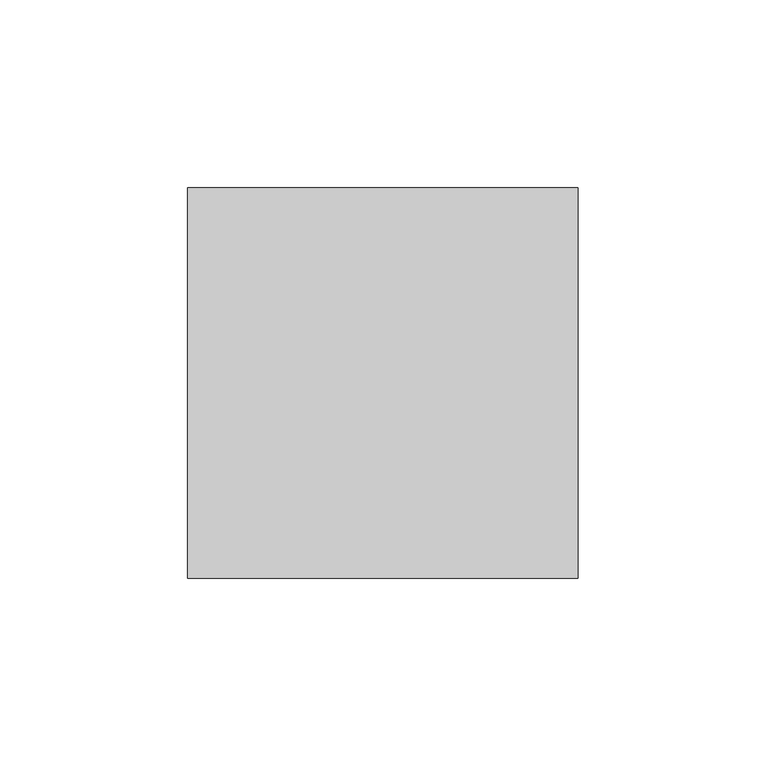
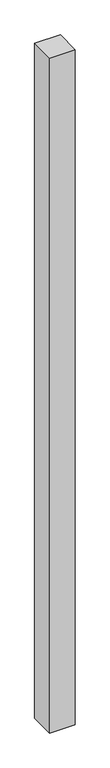
"""IFC4 building model written with IfcOpenShell, lengths in millimetres: member geometry."""

from ifc_helpers import new_model, si_unit, frame, origin, place, context, project, spatial, polyline, outline, extrude, source, transform, mapped, element, save


def member_43281d07(model_context):
    return source(origin(), model_context, "Body", "SweptSolid", [
        extrude(outline(polyline([(-52.0, -52.0), (-52.0, 52.0), (52.0, 52.0), (52.0, -52.0), (-52.0, -52.0)])), frame((0.0, 0.0, -2885.0), z_axis=(0.0, 0.0, 1.0), x_axis=(1.0, 0.0, 0.0)), (0.0, 0.0, 1.0), 2885.0),
    ])


if __name__ == "__main__":
    model = new_model("IFC4")
    model_context = context("Model", 3, world=origin())
    ifc_project = project(units=[si_unit("LENGTHUNIT", "METRE", prefix="MILLI")], contexts=[model_context])
    site = spatial("IfcSite", under=ifc_project)
    building = spatial("IfcBuilding", under=site)
    placement = place(None, origin())
    member_shape = member_43281d07(model_context)
    element("IfcMember", 1, at=placement, inside=building, context=model_context, shape_type="MappedRepresentation", body=[
        mapped(member_shape, transform((0.0, 0.0, 0.0), x_axis=(1.0, 0.0, 0.0), y_axis=(0.0, 1.0, 0.0), z_axis=(0.0, 0.0, 1.0))),
    ])
    save(model, "model.ifc")
